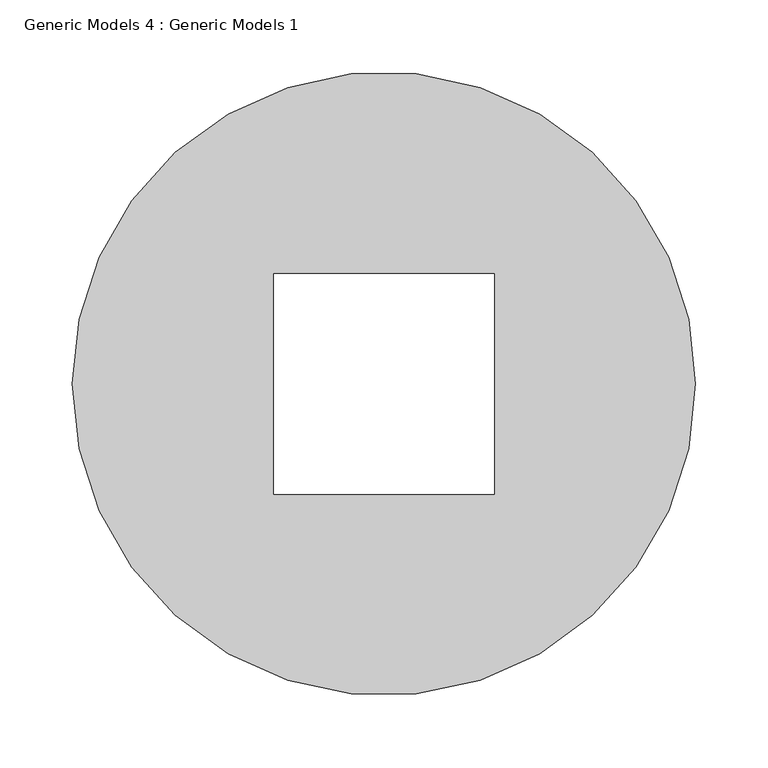
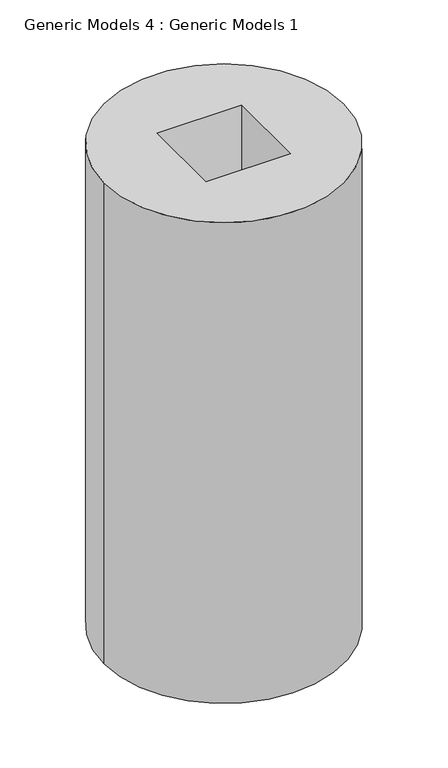
"""IFC4 building model written with IfcOpenShell, lengths in millimetres: proxy geometry, Generic Models 4 : Generic Models 1."""

import ifcopenshell
import ifcopenshell.guid

model = None  # the IFC model being written
_history = None  # IfcOwnerHistory: only IFC2X3 demands one
_inside = {}  # id of a spatial element -> (the spatial element, [elements in it])
_under = {}  # id of a project, library or spatial element -> (it, [spatial elements below it])
_declared = {}  # id of a project -> (the project, [libraries it declares])
_typed = {}  # id of a type object -> (the type object, [elements of that type])
_made_of = {}  # id of a material, layer set ... -> (it, [elements and type objects made of it])


def new_model(schema):
    """Start an empty IFC model of exactly this schema.

    Asked for "IFC4X3", IfcOpenShell would pick the latest addendum, in which some entities
    have other attributes; the version numbers below select the first issue.
    IFC2X3 requires an IfcOwnerHistory on every rooted entity: one is made here for all.
    """
    global model, _history
    if schema == "IFC4X3":
        model = ifcopenshell.file(schema_version=(4, 3, 0, 0))
    else:
        model = ifcopenshell.file(schema=schema)
    _inside.clear()
    _under.clear()
    _declared.clear()
    _typed.clear()
    _made_of.clear()
    _history = None
    if model.schema == "IFC2X3":
        org = make("IfcOrganization", Name="unknown")
        user = make(
            "IfcPersonAndOrganization",
            ThePerson=make("IfcPerson", FamilyName="unknown"),
            TheOrganization=org,
        )
        app = make(
            "IfcApplication",
            ApplicationDeveloper=org,
            Version="unknown",
            ApplicationFullName="unknown",
            ApplicationIdentifier="unknown",
        )
        _history = make(
            "IfcOwnerHistory",
            OwningUser=user,
            OwningApplication=app,
            ChangeAction="ADDED",
            CreationDate=0,
        )
    return model


def make(cls, **values):
    """One entity of the class cls with the attributes given. An attribute that is None is left unset."""
    return model.create_entity(
        cls, **{name: value for name, value in values.items() if value is not None}
    )


def rooted(cls, **values):
    """An entity with a GlobalId (a new one), such as an element, a storey or a relation."""
    return make(cls, GlobalId=ifcopenshell.guid.new(), OwnerHistory=_history, **values)


def si_unit(unit_type, name, prefix=None):
    """IfcSIUnit, for example si_unit("LENGTHUNIT", "METRE", prefix="MILLI")."""
    return make("IfcSIUnit", UnitType=unit_type, Prefix=prefix, Name=name)


def assignment(units):
    """IfcUnitAssignment: the units of a project."""
    return None if units is None else make("IfcUnitAssignment", Units=units)


def point(xyz):
    """IfcCartesianPoint."""
    return None if xyz is None else make("IfcCartesianPoint", Coordinates=xyz)


def direction(xyz):
    """IfcDirection."""
    return None if xyz is None else make("IfcDirection", DirectionRatios=xyz)


def frame(location, z_axis=None, x_axis=None):
    """IfcAxis2Placement3D, a coordinate frame: its origin and axes. An axis left out is left unset."""
    return make(
        "IfcAxis2Placement3D",
        Location=point(location),
        Axis=direction(z_axis),
        RefDirection=direction(x_axis),
    )


def frame_2d(location, x_axis=None):
    """IfcAxis2Placement2D, a coordinate frame in the plane: its origin and x axis."""
    return make(
        "IfcAxis2Placement2D", Location=point(location), RefDirection=direction(x_axis)
    )


def origin():
    """The frame at (0, 0, 0) with its axes left unset."""
    return frame((0.0, 0.0, 0.0))


def origin_with_axes():
    """The frame at (0, 0, 0) with the z axis (0, 0, 1) and the x axis (1, 0, 0) written out."""
    return frame((0.0, 0.0, 0.0), z_axis=(0.0, 0.0, 1.0), x_axis=(1.0, 0.0, 0.0))


def place(relative_to, where):
    """IfcLocalPlacement: puts the frame where relative to a parent placement (None: the world)."""
    return make(
        "IfcLocalPlacement", PlacementRelTo=relative_to, RelativePlacement=where
    )


def context(
    kind, dimensions, precision=None, world=None, true_north=None, identifier=None
):
    """IfcGeometricRepresentationContext, for example the 3D "Model" context."""
    return make(
        "IfcGeometricRepresentationContext",
        ContextIdentifier=identifier,
        ContextType=kind,
        CoordinateSpaceDimension=dimensions,
        Precision=precision,
        WorldCoordinateSystem=world,
        TrueNorth=true_north,
    )


def project(units=None, contexts=None):
    """IfcProject with its units and contexts."""
    return rooted(
        "IfcProject",
        Name="project",
        RepresentationContexts=contexts,
        UnitsInContext=assignment(units),
    )


def spatial(cls, under=None, at=None, **own):
    """A site, building, storey or space (cls), placed at a placement, below another one or the project."""
    s = rooted(cls, ObjectPlacement=at, **own)
    if under is not None:
        _under.setdefault(under.id(), (under, []))[1].append(s)
    return s


def polyline(points):
    """IfcPolyline through the points."""
    return make("IfcPolyline", Points=[point(p) for p in points])


def circle_curve(where, radius):
    """IfcCircle in the frame where."""
    return make("IfcCircle", Position=where, Radius=radius)


def trimmed(basis, trim1, trim2, sense, master):
    """IfcTrimmedCurve: the piece of a basis curve between two trims."""
    return make(
        "IfcTrimmedCurve",
        BasisCurve=basis,
        Trim1=trim1,
        Trim2=trim2,
        SenseAgreement=sense,
        MasterRepresentation=master,
    )


def segment(curve, same_sense, transition):
    """IfcCompositeCurveSegment."""
    return make(
        "IfcCompositeCurveSegment",
        Transition=transition,
        SameSense=same_sense,
        ParentCurve=curve,
    )


def composite_curve(segments, self_intersect=None):
    """IfcCompositeCurve: segments joined end to end."""
    return make("IfcCompositeCurve", Segments=segments, SelfIntersect=self_intersect)


def outline(outer, holes=None, kind="AREA"):
    """IfcArbitraryClosedProfileDef: a profile drawn as a closed curve; with holes, ...WithVoids."""
    if holes is None:
        return make("IfcArbitraryClosedProfileDef", ProfileType=kind, OuterCurve=outer)
    return make(
        "IfcArbitraryProfileDefWithVoids",
        ProfileType=kind,
        OuterCurve=outer,
        InnerCurves=holes,
    )


def extrude(swept, where, along, depth):
    """IfcExtrudedAreaSolid: the profile swept, set in the frame where, extruded along a direction by depth."""
    return make(
        "IfcExtrudedAreaSolid",
        SweptArea=swept,
        Position=where,
        ExtrudedDirection=direction(along),
        Depth=depth,
    )


def shape(context_of_items, identifier, shape_type, items):
    """IfcShapeRepresentation: the items that make up one representation, for example the "Body"."""
    return make(
        "IfcShapeRepresentation",
        ContextOfItems=context_of_items,
        RepresentationIdentifier=identifier,
        RepresentationType=shape_type,
        Items=items,
    )


def source(mapping_origin, context_of_items, identifier, shape_type, items):
    """IfcRepresentationMap: a shape defined once, which mapped items show again and again."""
    return make(
        "IfcRepresentationMap",
        MappingOrigin=mapping_origin,
        MappedRepresentation=shape(context_of_items, identifier, shape_type, items),
    )


def transform(
    local_origin,
    x_axis=None,
    y_axis=None,
    z_axis=None,
    scale=None,
    scale2=None,
    scale3=None,
    uniform=True,
):
    """IfcCartesianTransformationOperator3D, or its non-uniform kind. x_axis, y_axis, z_axis: its Axis1, 2, 3."""
    if uniform:
        return make(
            "IfcCartesianTransformationOperator3D",
            Axis1=direction(x_axis),
            Axis2=direction(y_axis),
            LocalOrigin=point(local_origin),
            Scale=scale,
            Axis3=direction(z_axis),
        )
    return make(
        "IfcCartesianTransformationOperator3DnonUniform",
        Axis1=direction(x_axis),
        Axis2=direction(y_axis),
        LocalOrigin=point(local_origin),
        Scale=scale,
        Axis3=direction(z_axis),
        Scale2=scale2,
        Scale3=scale3,
    )


def mapped(mapping_source, mapping_target):
    """IfcMappedItem: shows the shape of a source again, moved by a transform."""
    return make(
        "IfcMappedItem", MappingSource=mapping_source, MappingTarget=mapping_target
    )


def made_of(thing, what):
    """Note that an element or type object is made of a material, layer set ...; save() writes the relation."""
    if what is not None:
        _made_of.setdefault(what.id(), (what, []))[1].append(thing)
    return thing


def element(
    cls,
    number,
    at=None,
    inside=None,
    cuts=None,
    type_object=None,
    material=None,
    context=None,
    identifier="Body",
    shape_type=None,
    held_by="IfcProductDefinitionShape",
    body=None,
    shapes=None,
    **own,
):
    """One element of the class cls, such as IfcWall. Its Tag is "e" and its number.

    at: its placement. inside: the storey or other place that contains it. cuts: it is an
    opening in that element (IfcRelVoidsElement). A single representation is given by context,
    identifier, shape_type and body (its items); several are given by shapes. held_by: the class
    of the entity that holds the representations. save() writes the other relations.
    """
    e = rooted(cls, Tag="e%d" % number, ObjectPlacement=at, **own)
    if body is not None:
        shapes = [shape(context, identifier, shape_type, body)]
    if shapes is not None:
        e.Representation = make(held_by, Representations=shapes)
    if inside is not None:
        _inside.setdefault(inside.id(), (inside, []))[1].append(e)
    if cuts is not None:
        rooted(
            "IfcRelVoidsElement", RelatingBuildingElement=cuts, RelatedOpeningElement=e
        )
    if type_object is not None:
        _typed.setdefault(type_object.id(), (type_object, []))[1].append(e)
    return made_of(e, material)


def aggregate(whole, parts):
    """IfcRelAggregates: a whole, such as a stair, and the parts it consists of."""
    return rooted("IfcRelAggregates", RelatingObject=whole, RelatedObjects=parts)


def save(model, path):
    """Write the relations noted so far, then the file.

    IfcRelAggregates (storeys below a building ...), IfcRelContainedInSpatialStructure (elements
    in a storey), IfcRelDefinesByType, IfcRelAssociatesMaterial and IfcRelDeclares: one each for
    every whole, place, type object, material and project.
    """
    for whole, parts in _under.values():
        aggregate(whole, parts)
    for where, things in _inside.values():
        rooted(
            "IfcRelContainedInSpatialStructure",
            RelatedElements=things,
            RelatingStructure=where,
        )
    for kind, things in _typed.values():
        rooted("IfcRelDefinesByType", RelatedObjects=things, RelatingType=kind)
    for what, things in _made_of.values():
        rooted("IfcRelAssociatesMaterial", RelatedObjects=things, RelatingMaterial=what)
    for by, libraries in _declared.values():
        rooted("IfcRelDeclares", RelatingContext=by, RelatedDefinitions=libraries)
    model.write(path)


def generic_models_4_generic_models_1_071facfc(model_context):
    return source(origin(), model_context, "Body", "SweptSolid", [
        extrude(outline(composite_curve([segment(trimmed(circle_curve(frame_2d((762.0, 762.0)), 215.5261469), [point((546.4738531, 762.0))], [point((977.5261469, 762.0))], False, "CARTESIAN"), True, "CONTINUOUS"), segment(trimmed(circle_curve(frame_2d((762.0, 762.0)), 215.5261469), [point((977.5261469, 762.0))], [point((546.4738531, 762.0))], False, "CARTESIAN"), True, "CONTINUOUS")], self_intersect=False), holes=[polyline([(838.2, 838.2), (685.8, 838.2), (685.8, 685.8), (838.2, 685.8), (838.2, 838.2)])]), origin_with_axes(), (0.0, 0.0, 1.0), 914.4),
    ])


if __name__ == "__main__":
    model = new_model("IFC4")
    model_context = context("Model", 3, world=origin())
    ifc_project = project(units=[si_unit("LENGTHUNIT", "METRE", prefix="MILLI")], contexts=[model_context])
    site = spatial("IfcSite", under=ifc_project)
    building = spatial("IfcBuilding", under=site)
    placement = place(None, origin())
    generic_models_4_generic_models_1_shape = generic_models_4_generic_models_1_071facfc(model_context)
    element("IfcBuildingElementProxy", 1, Name="Generic Models 4 : Generic Models 1", ObjectType="Generic Models 4 : Generic Models 1", at=placement, inside=building, context=model_context, shape_type="MappedRepresentation", body=[
        mapped(generic_models_4_generic_models_1_shape, transform((0.0, 0.0, 0.0), x_axis=(1.0, 0.0, 0.0), y_axis=(0.0, 1.0, 0.0), z_axis=(0.0, 0.0, 1.0))),
    ])
    save(model, "model.ifc")
